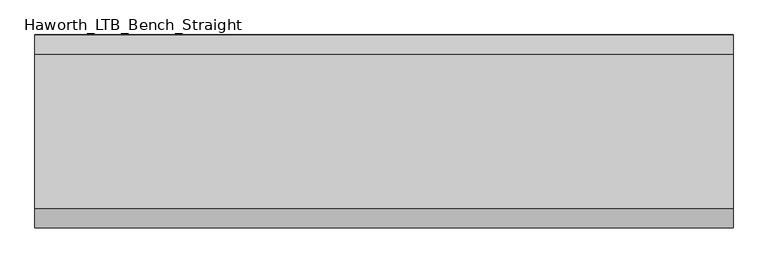
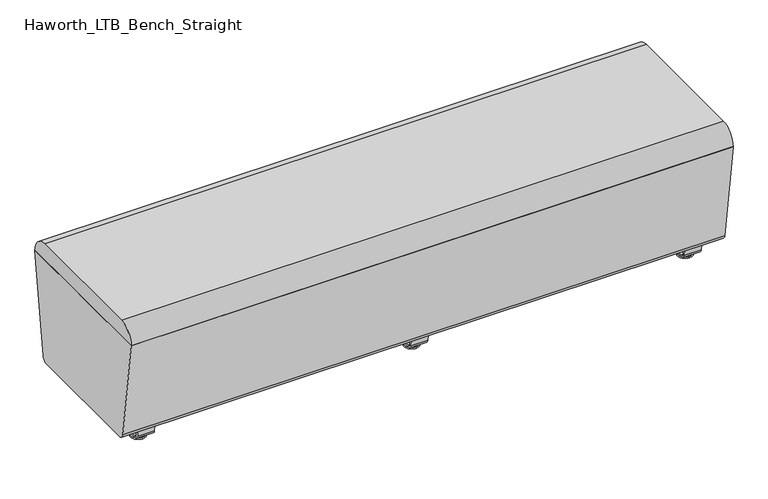
"""IFC4 building model written with IfcOpenShell, lengths in millimetres: furniture geometry, Haworth_LTB_Bench_Straight."""

import ifcopenshell
import ifcopenshell.guid

model = None  # the IFC model being written
_history = None  # IfcOwnerHistory: only IFC2X3 demands one
_inside = {}  # id of a spatial element -> (the spatial element, [elements in it])
_under = {}  # id of a project, library or spatial element -> (it, [spatial elements below it])
_declared = {}  # id of a project -> (the project, [libraries it declares])
_typed = {}  # id of a type object -> (the type object, [elements of that type])
_made_of = {}  # id of a material, layer set ... -> (it, [elements and type objects made of it])


def new_model(schema):
    """Start an empty IFC model of exactly this schema.

    Asked for "IFC4X3", IfcOpenShell would pick the latest addendum, in which some entities
    have other attributes; the version numbers below select the first issue.
    IFC2X3 requires an IfcOwnerHistory on every rooted entity: one is made here for all.
    """
    global model, _history
    if schema == "IFC4X3":
        model = ifcopenshell.file(schema_version=(4, 3, 0, 0))
    else:
        model = ifcopenshell.file(schema=schema)
    _inside.clear()
    _under.clear()
    _declared.clear()
    _typed.clear()
    _made_of.clear()
    _history = None
    if model.schema == "IFC2X3":
        org = make("IfcOrganization", Name="unknown")
        user = make(
            "IfcPersonAndOrganization",
            ThePerson=make("IfcPerson", FamilyName="unknown"),
            TheOrganization=org,
        )
        app = make(
            "IfcApplication",
            ApplicationDeveloper=org,
            Version="unknown",
            ApplicationFullName="unknown",
            ApplicationIdentifier="unknown",
        )
        _history = make(
            "IfcOwnerHistory",
            OwningUser=user,
            OwningApplication=app,
            ChangeAction="ADDED",
            CreationDate=0,
        )
    return model


def make(cls, **values):
    """One entity of the class cls with the attributes given. An attribute that is None is left unset."""
    return model.create_entity(
        cls, **{name: value for name, value in values.items() if value is not None}
    )


def rooted(cls, **values):
    """An entity with a GlobalId (a new one), such as an element, a storey or a relation."""
    return make(cls, GlobalId=ifcopenshell.guid.new(), OwnerHistory=_history, **values)


def si_unit(unit_type, name, prefix=None):
    """IfcSIUnit, for example si_unit("LENGTHUNIT", "METRE", prefix="MILLI")."""
    return make("IfcSIUnit", UnitType=unit_type, Prefix=prefix, Name=name)


def assignment(units):
    """IfcUnitAssignment: the units of a project."""
    return None if units is None else make("IfcUnitAssignment", Units=units)


def point(xyz):
    """IfcCartesianPoint."""
    return None if xyz is None else make("IfcCartesianPoint", Coordinates=xyz)


def direction(xyz):
    """IfcDirection."""
    return None if xyz is None else make("IfcDirection", DirectionRatios=xyz)


def frame(location, z_axis=None, x_axis=None):
    """IfcAxis2Placement3D, a coordinate frame: its origin and axes. An axis left out is left unset."""
    return make(
        "IfcAxis2Placement3D",
        Location=point(location),
        Axis=direction(z_axis),
        RefDirection=direction(x_axis),
    )


def frame_2d(location, x_axis=None):
    """IfcAxis2Placement2D, a coordinate frame in the plane: its origin and x axis."""
    return make(
        "IfcAxis2Placement2D", Location=point(location), RefDirection=direction(x_axis)
    )


def origin():
    """The frame at (0, 0, 0) with its axes left unset."""
    return frame((0.0, 0.0, 0.0))


def place(relative_to, where):
    """IfcLocalPlacement: puts the frame where relative to a parent placement (None: the world)."""
    return make(
        "IfcLocalPlacement", PlacementRelTo=relative_to, RelativePlacement=where
    )


def context(
    kind, dimensions, precision=None, world=None, true_north=None, identifier=None
):
    """IfcGeometricRepresentationContext, for example the 3D "Model" context."""
    return make(
        "IfcGeometricRepresentationContext",
        ContextIdentifier=identifier,
        ContextType=kind,
        CoordinateSpaceDimension=dimensions,
        Precision=precision,
        WorldCoordinateSystem=world,
        TrueNorth=true_north,
    )


def project(units=None, contexts=None):
    """IfcProject with its units and contexts."""
    return rooted(
        "IfcProject",
        Name="project",
        RepresentationContexts=contexts,
        UnitsInContext=assignment(units),
    )


def spatial(cls, under=None, at=None, **own):
    """A site, building, storey or space (cls), placed at a placement, below another one or the project."""
    s = rooted(cls, ObjectPlacement=at, **own)
    if under is not None:
        _under.setdefault(under.id(), (under, []))[1].append(s)
    return s


def polyline(points):
    """IfcPolyline through the points."""
    return make("IfcPolyline", Points=[point(p) for p in points])


def circle_curve(where, radius):
    """IfcCircle in the frame where."""
    return make("IfcCircle", Position=where, Radius=radius)


def ellipse_curve(where, semi_axis1, semi_axis2):
    """IfcEllipse in the frame where."""
    return make(
        "IfcEllipse", Position=where, SemiAxis1=semi_axis1, SemiAxis2=semi_axis2
    )


def trimmed(basis, trim1, trim2, sense, master):
    """IfcTrimmedCurve: the piece of a basis curve between two trims."""
    return make(
        "IfcTrimmedCurve",
        BasisCurve=basis,
        Trim1=trim1,
        Trim2=trim2,
        SenseAgreement=sense,
        MasterRepresentation=master,
    )


def segment(curve, same_sense, transition):
    """IfcCompositeCurveSegment."""
    return make(
        "IfcCompositeCurveSegment",
        Transition=transition,
        SameSense=same_sense,
        ParentCurve=curve,
    )


def composite_curve(segments, self_intersect=None):
    """IfcCompositeCurve: segments joined end to end."""
    return make("IfcCompositeCurve", Segments=segments, SelfIntersect=self_intersect)


def outline(outer, holes=None, kind="AREA"):
    """IfcArbitraryClosedProfileDef: a profile drawn as a closed curve; with holes, ...WithVoids."""
    if holes is None:
        return make("IfcArbitraryClosedProfileDef", ProfileType=kind, OuterCurve=outer)
    return make(
        "IfcArbitraryProfileDefWithVoids",
        ProfileType=kind,
        OuterCurve=outer,
        InnerCurves=holes,
    )


def extrude(swept, where, along, depth):
    """IfcExtrudedAreaSolid: the profile swept, set in the frame where, extruded along a direction by depth."""
    return make(
        "IfcExtrudedAreaSolid",
        SweptArea=swept,
        Position=where,
        ExtrudedDirection=direction(along),
        Depth=depth,
    )


def shape(context_of_items, identifier, shape_type, items):
    """IfcShapeRepresentation: the items that make up one representation, for example the "Body"."""
    return make(
        "IfcShapeRepresentation",
        ContextOfItems=context_of_items,
        RepresentationIdentifier=identifier,
        RepresentationType=shape_type,
        Items=items,
    )


def source(mapping_origin, context_of_items, identifier, shape_type, items):
    """IfcRepresentationMap: a shape defined once, which mapped items show again and again."""
    return make(
        "IfcRepresentationMap",
        MappingOrigin=mapping_origin,
        MappedRepresentation=shape(context_of_items, identifier, shape_type, items),
    )


def transform(
    local_origin,
    x_axis=None,
    y_axis=None,
    z_axis=None,
    scale=None,
    scale2=None,
    scale3=None,
    uniform=True,
):
    """IfcCartesianTransformationOperator3D, or its non-uniform kind. x_axis, y_axis, z_axis: its Axis1, 2, 3."""
    if uniform:
        return make(
            "IfcCartesianTransformationOperator3D",
            Axis1=direction(x_axis),
            Axis2=direction(y_axis),
            LocalOrigin=point(local_origin),
            Scale=scale,
            Axis3=direction(z_axis),
        )
    return make(
        "IfcCartesianTransformationOperator3DnonUniform",
        Axis1=direction(x_axis),
        Axis2=direction(y_axis),
        LocalOrigin=point(local_origin),
        Scale=scale,
        Axis3=direction(z_axis),
        Scale2=scale2,
        Scale3=scale3,
    )


def mapped(mapping_source, mapping_target):
    """IfcMappedItem: shows the shape of a source again, moved by a transform."""
    return make(
        "IfcMappedItem", MappingSource=mapping_source, MappingTarget=mapping_target
    )


def made_of(thing, what):
    """Note that an element or type object is made of a material, layer set ...; save() writes the relation."""
    if what is not None:
        _made_of.setdefault(what.id(), (what, []))[1].append(thing)
    return thing


def element(
    cls,
    number,
    at=None,
    inside=None,
    cuts=None,
    type_object=None,
    material=None,
    context=None,
    identifier="Body",
    shape_type=None,
    held_by="IfcProductDefinitionShape",
    body=None,
    shapes=None,
    **own,
):
    """One element of the class cls, such as IfcWall. Its Tag is "e" and its number.

    at: its placement. inside: the storey or other place that contains it. cuts: it is an
    opening in that element (IfcRelVoidsElement). A single representation is given by context,
    identifier, shape_type and body (its items); several are given by shapes. held_by: the class
    of the entity that holds the representations. save() writes the other relations.
    """
    e = rooted(cls, Tag="e%d" % number, ObjectPlacement=at, **own)
    if body is not None:
        shapes = [shape(context, identifier, shape_type, body)]
    if shapes is not None:
        e.Representation = make(held_by, Representations=shapes)
    if inside is not None:
        _inside.setdefault(inside.id(), (inside, []))[1].append(e)
    if cuts is not None:
        rooted(
            "IfcRelVoidsElement", RelatingBuildingElement=cuts, RelatedOpeningElement=e
        )
    if type_object is not None:
        _typed.setdefault(type_object.id(), (type_object, []))[1].append(e)
    return made_of(e, material)


def aggregate(whole, parts):
    """IfcRelAggregates: a whole, such as a stair, and the parts it consists of."""
    return rooted("IfcRelAggregates", RelatingObject=whole, RelatedObjects=parts)


def save(model, path):
    """Write the relations noted so far, then the file.

    IfcRelAggregates (storeys below a building ...), IfcRelContainedInSpatialStructure (elements
    in a storey), IfcRelDefinesByType, IfcRelAssociatesMaterial and IfcRelDeclares: one each for
    every whole, place, type object, material and project.
    """
    for whole, parts in _under.values():
        aggregate(whole, parts)
    for where, things in _inside.values():
        rooted(
            "IfcRelContainedInSpatialStructure",
            RelatedElements=things,
            RelatingStructure=where,
        )
    for kind, things in _typed.values():
        rooted("IfcRelDefinesByType", RelatedObjects=things, RelatingType=kind)
    for what, things in _made_of.values():
        rooted("IfcRelAssociatesMaterial", RelatedObjects=things, RelatingMaterial=what)
    for by, libraries in _declared.values():
        rooted("IfcRelDeclares", RelatingContext=by, RelatedDefinitions=libraries)
    model.write(path)


def plane_surface(at):
    """IfcPlane: the flat surface through the origin of the frame at, square to its z axis."""
    return make("IfcPlane", Position=at)


def cylinder_surface(at, radius):
    """IfcCylindricalSurface: all points at the distance radius from the z axis of the frame at."""
    return make("IfcCylindricalSurface", Position=at, Radius=radius)


def revolved_surface(curve, axis_point, axis_direction):
    """IfcSurfaceOfRevolution: the curve turned about the line through axis_point along axis_direction."""
    return make(
        "IfcSurfaceOfRevolution",
        SweptCurve=make("IfcArbitraryOpenProfileDef", ProfileType="CURVE", Curve=curve),
        AxisPosition=make("IfcAxis1Placement", Location=point(axis_point), Axis=direction(axis_direction)),
    )


def advanced_brep(points, edges, surfaces, faces):
    """IfcAdvancedBrep: a solid bounded by faces that lie on surfaces and meet in shared edges.

    An edge is (start, end): straight between two places in points (the first is 0);
    or (start, end, curve); or (start, end, curve, False) where it runs against its curve.
    A face is (place in surfaces, loops), or (place, loops, False) where it looks against
    its surface's normal. A loop lists edges by number (the first is 1), with a minus sign
    where the edge is run from its end to its start. The first loop is the outer one.
    """
    corners = [point(p) for p in points]
    vertices = [make("IfcVertexPoint", VertexGeometry=c) for c in corners]
    made = []
    for start, end, *more in edges:
        made.append(
            make(
                "IfcEdgeCurve",
                EdgeStart=vertices[start],
                EdgeEnd=vertices[end],
                EdgeGeometry=more[0] if more else make("IfcPolyline", Points=[corners[start], corners[end]]),
                SameSense=more[1] if len(more) > 1 else True,
            )
        )
    hull = []
    for where, loops, *sense in faces:
        bounds = []
        for j, loop in enumerate(loops):
            ring = [make("IfcOrientedEdge", EdgeElement=made[abs(k) - 1], Orientation=k > 0) for k in loop]
            bounds.append(
                make(
                    "IfcFaceOuterBound" if j == 0 else "IfcFaceBound",
                    Bound=make("IfcEdgeLoop", EdgeList=ring),
                    Orientation=True,
                )
            )
        hull.append(make("IfcAdvancedFace", Bounds=bounds, FaceSurface=surfaces[where], SameSense=sense[0] if sense else True))
    return make("IfcAdvancedBrep", Outer=make("IfcClosedShell", CfsFaces=hull))


def haworth_ltb_bench_straight_ff72ecde(model_context):
    return source(origin(), model_context, "Body", "SolidModel", [
        extrude(outline(composite_curve([segment(polyline([(-206.6541239, 66.3557108), (-249.9820603, 374.65), (249.9820603, 374.65), (206.6541239, 66.3557108)]), True, "CONTINUOUS"), segment(trimmed(circle_curve(frame_2d((187.8390314, 68.9999996)), 18.9999992), [point((206.6541239, 66.3557108))], [point((187.8390314, 50.0000004))], False, "CARTESIAN"), True, "CONTINUOUS"), segment(polyline([(187.8390314, 50.0000004), (-187.8390314, 50.0000004)]), True, "CONTINUOUS"), segment(trimmed(circle_curve(frame_2d((-187.8390314, 68.9999996)), 18.9999992), [point((-187.8390314, 50.0000004))], [point((-206.6541239, 66.3557108))], False, "CARTESIAN"), True, "CONTINUOUS")], self_intersect=False)), frame((-901.7, 0.0, 0.0), z_axis=(1.0, 0.0, 0.0), x_axis=(0.0, 1.0, 0.0)), (0.0, 0.0, 1.0), 1803.4),
        extrude(outline(composite_curve([segment(polyline([(-200.0364582, 425.0000034), (200.0364582, 425.0000034)]), True, "CONTINUOUS"), segment(trimmed(circle_curve(frame_2d((200.0364582, 375.0527773)), 49.9472261), [point((200.0364582, 425.0000034))], [point((249.9820603, 374.6499999))], False, "CARTESIAN"), True, "CONTINUOUS"), segment(polyline([(249.9820603, 374.6499999), (-249.9820603, 374.6499999)]), True, "CONTINUOUS"), segment(trimmed(circle_curve(frame_2d((-200.0364582, 375.0527773)), 49.9472261), [point((-249.9820603, 374.6499999))], [point((-200.0364582, 425.0000034))], False, "CARTESIAN"), True, "CONTINUOUS")], self_intersect=False)), frame((-901.7, 0.0, 0.0), z_axis=(1.0, 0.0, 0.0), x_axis=(0.0, 1.0, 0.0)), (0.0, 0.0, 1.0), 1803.4),
        advanced_brep(
        [(0.0, 134.8425052, 7.8133431), (0.0, 138.0765284, 7.8133431), (0.0, 147.6015284, 7.8133431), (0.0, 150.8355515, 7.8133431), (0.0, 120.9001513, 4.0775), (0.0, 164.7779054, 4.0775), (0.0, 121.3107026, 0.0), (0.0, 164.3673542, 0.0), (0.0, 142.8390284, 0.0), (0.0, 138.0765284, 50.0000004), (0.0, 142.8390284, 50.0000004), (0.0, 147.6015284, 50.0000004)],
        [
            (0, 1),
            (1, 2, circle_curve(frame((0.0, 142.8390284, 7.8133431), z_axis=(0.0, 0.0, -1.0), x_axis=(0.0, 1.0, 0.0)), 4.7625)),
            (2, 3),
            (3, 0, circle_curve(frame((0.0, 142.8390284, 7.8133431), z_axis=(0.0, 0.0, 1.0), x_axis=(0.0, 1.0, 0.0)), 7.9965232)),
            (2, 1, circle_curve(frame((0.0, 142.8390284, 7.8133431), z_axis=(0.0, 0.0, -1.0), x_axis=(0.0, 1.0, 0.0)), 4.7625)),
            (0, 3, circle_curve(frame((0.0, 142.8390284, 7.8133431), z_axis=(0.0, 0.0, 1.0), x_axis=(0.0, 1.0, 0.0)), 7.9965232)),
            (4, 0),
            (3, 5),
            (5, 4, circle_curve(frame((0.0, 142.8390284, 4.0775), z_axis=(0.0, 0.0, 1.0), x_axis=(0.0, 1.0, 0.0)), 21.9388771)),
            (4, 5, circle_curve(frame((0.0, 142.8390284, 4.0775), z_axis=(0.0, 0.0, 1.0), x_axis=(0.0, 1.0, 0.0)), 21.9388771)),
            (6, 4, circle_curve(frame((0.0, 121.4374745, 2.0721829), z_axis=(-1.0, 0.0, 0.0), x_axis=(0.0, 1.0, 0.0)), 2.0760571)),
            (5, 7, circle_curve(frame((0.0, 164.2405822, 2.0721829), z_axis=(-1.0, 0.0, 0.0), x_axis=(0.0, -1.0, 0.0)), 2.0760571)),
            (7, 6, circle_curve(frame((0.0, 142.8390284, 0.0), z_axis=(0.0, 0.0, 1.0), x_axis=(0.0, 1.0, 0.0)), 21.5283258)),
            (6, 7, circle_curve(frame((0.0, 142.8390284, 0.0), z_axis=(0.0, 0.0, 1.0), x_axis=(0.0, 1.0, 0.0)), 21.5283258)),
            (8, 6),
            (7, 8),
            (9, 10),
            (10, 11),
            (11, 9, circle_curve(frame((0.0, 142.8390284, 50.0000004), z_axis=(0.0, 0.0, 1.0), x_axis=(0.0, 1.0, 0.0)), 4.7625)),
            (9, 11, circle_curve(frame((0.0, 142.8390284, 50.0000004), z_axis=(0.0, 0.0, 1.0), x_axis=(0.0, 1.0, 0.0)), 4.7625)),
            (1, 9),
            (11, 2),
        ],
        [
            plane_surface(frame((0.0, 142.8390284, 7.8133431), z_axis=(0.0, 0.0, 1.0), x_axis=(0.0, 1.0, 0.0))),
            revolved_surface(polyline([(0.0, 150.8355515, 7.8133431), (0.0, 164.7779054, 4.0775)]), (0.0, 142.8390284, 0.0), (0.0, 0.0, -1.0)),
            revolved_surface(trimmed(ellipse_curve(frame((0.0, 164.2405822, 2.0721829), z_axis=(-1.0, 0.0, 0.0), x_axis=(0.0, -1.0, 0.0)), 2.0760571, 2.0760571), [point((0.0, 164.7779054, 4.0775))], [point((0.0, 164.3673542, 0.0))], True, "CARTESIAN"), (0.0, 142.8390284, 0.0), (0.0, 0.0, -1.0)),
            plane_surface(frame((0.0, 142.8390284, 0.0), z_axis=(0.0, 0.0, -1.0), x_axis=(0.0, 1.0, 0.0))),
            plane_surface(frame((0.0, 142.8390284, 50.0000004), z_axis=(0.0, 0.0, 1.0), x_axis=(0.0, 1.0, 0.0))),
            cylinder_surface(frame((0.0, 142.8390284, 0.0), z_axis=(0.0, 0.0, -1.0), x_axis=(0.0, 1.0, 0.0)), 4.7625),
        ],
        [
            (0, [[1, 2, 3, 4]]),
            (0, [[-3, 5, -1, 6]]),
            (1, [[7, -4, 8, 9]]),
            (1, [[-8, -6, -7, 10]]),
            (2, [[11, -9, 12, 13]]),
            (2, [[-12, -10, -11, 14]]),
            (3, [[15, -13, 16]]),
            (3, [[-16, -14, -15]]),
            (4, [[17, 18, 19]]),
            (4, [[-18, -17, 20]]),
            (5, [[21, -19, 22, -2]]),
            (5, [[-22, -20, -21, -5]]),
        ],
    ),
        advanced_brep(
        [(0.0, -138.0765284, 7.8133431), (0.0, -134.8425052, 7.8133431), (0.0, -150.8355515, 7.8133431), (0.0, -147.6015284, 7.8133431), (0.0, -120.9001513, 4.0775), (0.0, -164.7779054, 4.0775), (0.0, -121.3107026, 0.0), (0.0, -164.3673542, 0.0), (0.0, -142.8390284, 0.0), (0.0, -142.8390284, 50.0000004), (0.0, -138.0765284, 50.0000004), (0.0, -147.6015284, 50.0000004)],
        [
            (0, 1),
            (1, 2, circle_curve(frame((0.0, -142.8390284, 7.8133431), z_axis=(0.0, 0.0, 1.0), x_axis=(0.0, -1.0, 0.0)), 7.9965232)),
            (2, 3),
            (3, 0, circle_curve(frame((0.0, -142.8390284, 7.8133431), z_axis=(0.0, 0.0, -1.0), x_axis=(0.0, -1.0, 0.0)), 4.7625)),
            (2, 1, circle_curve(frame((0.0, -142.8390284, 7.8133431), z_axis=(0.0, 0.0, 1.0), x_axis=(0.0, -1.0, 0.0)), 7.9965232)),
            (0, 3, circle_curve(frame((0.0, -142.8390284, 7.8133431), z_axis=(0.0, 0.0, -1.0), x_axis=(0.0, -1.0, 0.0)), 4.7625)),
            (1, 4),
            (4, 5, circle_curve(frame((0.0, -142.8390284, 4.0775), z_axis=(0.0, 0.0, 1.0), x_axis=(0.0, -1.0, 0.0)), 21.9388771)),
            (5, 2),
            (5, 4, circle_curve(frame((0.0, -142.8390284, 4.0775), z_axis=(0.0, 0.0, 1.0), x_axis=(0.0, -1.0, 0.0)), 21.9388771)),
            (4, 6, circle_curve(frame((0.0, -121.4374745, 2.0721829), z_axis=(-1.0, 0.0, 0.0), x_axis=(0.0, -1.0, 0.0)), 2.0760571)),
            (6, 7, circle_curve(frame((0.0, -142.8390284, 0.0), z_axis=(0.0, 0.0, 1.0), x_axis=(0.0, -1.0, 0.0)), 21.5283258)),
            (7, 5, circle_curve(frame((0.0, -164.2405822, 2.0721829), z_axis=(-1.0, 0.0, 0.0), x_axis=(0.0, 1.0, 0.0)), 2.0760571)),
            (7, 6, circle_curve(frame((0.0, -142.8390284, 0.0), z_axis=(0.0, 0.0, 1.0), x_axis=(0.0, -1.0, 0.0)), 21.5283258)),
            (6, 8),
            (8, 7),
            (9, 10),
            (10, 11, circle_curve(frame((0.0, -142.8390284, 50.0000004), z_axis=(0.0, 0.0, 1.0), x_axis=(0.0, -1.0, 0.0)), 4.7625)),
            (11, 9),
            (11, 10, circle_curve(frame((0.0, -142.8390284, 50.0000004), z_axis=(0.0, 0.0, 1.0), x_axis=(0.0, -1.0, 0.0)), 4.7625)),
            (10, 0),
            (3, 11),
        ],
        [
            plane_surface(frame((0.0, -142.8390284, 7.8133431), z_axis=(0.0, 0.0, 1.0), x_axis=(0.0, -1.0, 0.0))),
            revolved_surface(polyline([(0.0, -164.7779054, 4.0775), (0.0, -150.8355515, 7.8133431)]), (0.0, -142.8390284, 0.0), (0.0, 0.0, 1.0)),
            revolved_surface(trimmed(ellipse_curve(frame((0.0, -164.2405822, 2.0721829), z_axis=(-1.0, 0.0, 0.0), x_axis=(0.0, 1.0, 0.0)), 2.0760571, 2.0760571), [point((0.0, -164.3673542, 0.0))], [point((0.0, -164.7779054, 4.0775))], True, "CARTESIAN"), (0.0, -142.8390284, 0.0), (0.0, 0.0, 1.0)),
            plane_surface(frame((0.0, -142.8390284, 0.0), z_axis=(0.0, 0.0, -1.0), x_axis=(0.0, -1.0, 0.0))),
            plane_surface(frame((0.0, -142.8390284, 50.0000004), z_axis=(0.0, 0.0, 1.0), x_axis=(0.0, -1.0, 0.0))),
            cylinder_surface(frame((0.0, -142.8390284, 0.0), z_axis=(0.0, 0.0, 1.0), x_axis=(0.0, -1.0, 0.0)), 4.7625),
        ],
        [
            (0, [[1, 2, 3, 4]]),
            (0, [[-3, 5, -1, 6]]),
            (1, [[7, 8, 9, -2]]),
            (1, [[-9, 10, -7, -5]]),
            (2, [[11, 12, 13, -8]]),
            (2, [[-13, 14, -11, -10]]),
            (3, [[15, 16, -12]]),
            (3, [[-16, -15, -14]]),
            (4, [[17, 18, 19]]),
            (4, [[-19, 20, -17]]),
            (5, [[21, -4, 22, -18]]),
            (5, [[-22, -6, -21, -20]]),
        ],
    ),
        extrude(outline(composite_curve([segment(polyline([(-188.6158944, 62.9950557), (-182.9812615, 63.7869505), (-178.0507241, 28.7043023)]), True, "CONTINUOUS"), segment(trimmed(circle_curve(frame_2d((-168.8313262, 30.0000023)), 9.310002), [point((-178.0507241, 28.7043023))], [point((-168.8313262, 20.6900003))], True, "CARTESIAN"), True, "CONTINUOUS"), segment(polyline([(-168.8313262, 20.6900003), (168.8313262, 20.6900003)]), True, "CONTINUOUS"), segment(trimmed(circle_curve(frame_2d((168.8313262, 30.0000023)), 9.310002), [point((168.8313262, 20.6900003))], [point((178.0507241, 28.7043023))], True, "CARTESIAN"), True, "CONTINUOUS"), segment(polyline([(178.0507241, 28.7043023), (182.9812615, 63.7869505), (188.6158944, 62.9950557), (183.6853496, 27.9124042)]), True, "CONTINUOUS"), segment(trimmed(circle_curve(frame_2d((168.8313276, 30.0000007)), 15.000001), [point((183.6853496, 27.9124042))], [point((168.8313276, 14.9999997))], False, "CARTESIAN"), True, "CONTINUOUS"), segment(polyline([(168.8313276, 14.9999997), (-168.8313276, 14.9999997)]), True, "CONTINUOUS"), segment(trimmed(circle_curve(frame_2d((-168.8313276, 30.0000007)), 15.000001), [point((-168.8313276, 14.9999997))], [point((-183.6853496, 27.9124042))], False, "CARTESIAN"), True, "CONTINUOUS"), segment(polyline([(-183.6853496, 27.9124042), (-188.6158944, 62.9950557)]), True, "CONTINUOUS")], self_intersect=False)), frame((-25.4, 0.0, 0.0), z_axis=(1.0, 0.0, 0.0), x_axis=(0.0, 1.0, 0.0)), (0.0, 0.0, 1.0), 50.8),
        advanced_brep(
        [(819.2045358, 134.8425052, 7.8133431), (819.2045358, 138.0765284, 7.8133431), (819.2045358, 147.6015284, 7.8133431), (819.2045358, 150.8355515, 7.8133431), (819.2045358, 120.9001513, 4.0775), (819.2045358, 164.7779054, 4.0775), (819.2045358, 121.3107026, 0.0), (819.2045358, 164.3673542, 0.0), (819.2045358, 142.8390284, 0.0), (819.2045358, 138.0765284, 50.0000004), (819.2045358, 142.8390284, 50.0000004), (819.2045358, 147.6015284, 50.0000004)],
        [
            (0, 1),
            (1, 2, circle_curve(frame((819.2045358, 142.8390284, 7.8133431), z_axis=(0.0, 0.0, -1.0), x_axis=(0.0, 1.0, 0.0)), 4.7625)),
            (2, 3),
            (3, 0, circle_curve(frame((819.2045358, 142.8390284, 7.8133431), z_axis=(0.0, 0.0, 1.0), x_axis=(0.0, 1.0, 0.0)), 7.9965232)),
            (2, 1, circle_curve(frame((819.2045358, 142.8390284, 7.8133431), z_axis=(0.0, 0.0, -1.0), x_axis=(0.0, 1.0, 0.0)), 4.7625)),
            (0, 3, circle_curve(frame((819.2045358, 142.8390284, 7.8133431), z_axis=(0.0, 0.0, 1.0), x_axis=(0.0, 1.0, 0.0)), 7.9965232)),
            (4, 0),
            (3, 5),
            (5, 4, circle_curve(frame((819.2045358, 142.8390284, 4.0775), z_axis=(0.0, 0.0, 1.0), x_axis=(0.0, 1.0, 0.0)), 21.9388771)),
            (4, 5, circle_curve(frame((819.2045358, 142.8390284, 4.0775), z_axis=(0.0, 0.0, 1.0), x_axis=(0.0, 1.0, 0.0)), 21.9388771)),
            (6, 4, circle_curve(frame((819.2045358, 121.4374745, 2.0721829), z_axis=(-1.0, 0.0, 0.0), x_axis=(0.0, 1.0, 0.0)), 2.0760571)),
            (5, 7, circle_curve(frame((819.2045358, 164.2405822, 2.0721829), z_axis=(-1.0, 0.0, 0.0), x_axis=(0.0, -1.0, 0.0)), 2.0760571)),
            (7, 6, circle_curve(frame((819.2045358, 142.8390284, 0.0), z_axis=(0.0, 0.0, 1.0), x_axis=(0.0, 1.0, 0.0)), 21.5283258)),
            (6, 7, circle_curve(frame((819.2045358, 142.8390284, 0.0), z_axis=(0.0, 0.0, 1.0), x_axis=(0.0, 1.0, 0.0)), 21.5283258)),
            (8, 6),
            (7, 8),
            (9, 10),
            (10, 11),
            (11, 9, circle_curve(frame((819.2045358, 142.8390284, 50.0000004), z_axis=(0.0, 0.0, 1.0), x_axis=(0.0, 1.0, 0.0)), 4.7625)),
            (9, 11, circle_curve(frame((819.2045358, 142.8390284, 50.0000004), z_axis=(0.0, 0.0, 1.0), x_axis=(0.0, 1.0, 0.0)), 4.7625)),
            (1, 9),
            (11, 2),
        ],
        [
            plane_surface(frame((819.2045358, 142.8390284, 7.8133431), z_axis=(0.0, 0.0, 1.0), x_axis=(0.0, 1.0, 0.0))),
            revolved_surface(polyline([(819.2045358, 150.8355515, 7.8133431), (819.2045358, 164.7779054, 4.0775)]), (819.2045358, 142.8390284, 0.0), (0.0, 0.0, -1.0)),
            revolved_surface(trimmed(ellipse_curve(frame((819.2045358, 164.2405822, 2.0721829), z_axis=(-1.0, 0.0, 0.0), x_axis=(0.0, -1.0, 0.0)), 2.0760571, 2.0760571), [point((819.2045358, 164.7779054, 4.0775))], [point((819.2045358, 164.3673542, 0.0))], True, "CARTESIAN"), (819.2045358, 142.8390284, 0.0), (0.0, 0.0, -1.0)),
            plane_surface(frame((819.2045358, 142.8390284, 0.0), z_axis=(0.0, 0.0, -1.0), x_axis=(0.0, 1.0, 0.0))),
            plane_surface(frame((819.2045358, 142.8390284, 50.0000004), z_axis=(0.0, 0.0, 1.0), x_axis=(0.0, 1.0, 0.0))),
            cylinder_surface(frame((819.2045358, 142.8390284, 0.0), z_axis=(0.0, 0.0, -1.0), x_axis=(0.0, 1.0, 0.0)), 4.7625),
        ],
        [
            (0, [[1, 2, 3, 4]]),
            (0, [[-3, 5, -1, 6]]),
            (1, [[7, -4, 8, 9]]),
            (1, [[-8, -6, -7, 10]]),
            (2, [[11, -9, 12, 13]]),
            (2, [[-12, -10, -11, 14]]),
            (3, [[15, -13, 16]]),
            (3, [[-16, -14, -15]]),
            (4, [[17, 18, 19]]),
            (4, [[-18, -17, 20]]),
            (5, [[21, -19, 22, -2]]),
            (5, [[-22, -20, -21, -5]]),
        ],
    ),
        advanced_brep(
        [(819.2045358, -138.0765284, 7.8133431), (819.2045358, -134.8425052, 7.8133431), (819.2045358, -150.8355515, 7.8133431), (819.2045358, -147.6015284, 7.8133431), (819.2045358, -120.9001513, 4.0775), (819.2045358, -164.7779054, 4.0775), (819.2045358, -121.3107026, 0.0), (819.2045358, -164.3673542, 0.0), (819.2045358, -142.8390284, 0.0), (819.2045358, -142.8390284, 50.0000004), (819.2045358, -138.0765284, 50.0000004), (819.2045358, -147.6015284, 50.0000004)],
        [
            (0, 1),
            (1, 2, circle_curve(frame((819.2045358, -142.8390284, 7.8133431), z_axis=(0.0, 0.0, 1.0), x_axis=(0.0, -1.0, 0.0)), 7.9965232)),
            (2, 3),
            (3, 0, circle_curve(frame((819.2045358, -142.8390284, 7.8133431), z_axis=(0.0, 0.0, -1.0), x_axis=(0.0, -1.0, 0.0)), 4.7625)),
            (2, 1, circle_curve(frame((819.2045358, -142.8390284, 7.8133431), z_axis=(0.0, 0.0, 1.0), x_axis=(0.0, -1.0, 0.0)), 7.9965232)),
            (0, 3, circle_curve(frame((819.2045358, -142.8390284, 7.8133431), z_axis=(0.0, 0.0, -1.0), x_axis=(0.0, -1.0, 0.0)), 4.7625)),
            (1, 4),
            (4, 5, circle_curve(frame((819.2045358, -142.8390284, 4.0775), z_axis=(0.0, 0.0, 1.0), x_axis=(0.0, -1.0, 0.0)), 21.9388771)),
            (5, 2),
            (5, 4, circle_curve(frame((819.2045358, -142.8390284, 4.0775), z_axis=(0.0, 0.0, 1.0), x_axis=(0.0, -1.0, 0.0)), 21.9388771)),
            (4, 6, circle_curve(frame((819.2045358, -121.4374745, 2.0721829), z_axis=(-1.0, 0.0, 0.0), x_axis=(0.0, -1.0, 0.0)), 2.0760571)),
            (6, 7, circle_curve(frame((819.2045358, -142.8390284, 0.0), z_axis=(0.0, 0.0, 1.0), x_axis=(0.0, -1.0, 0.0)), 21.5283258)),
            (7, 5, circle_curve(frame((819.2045358, -164.2405822, 2.0721829), z_axis=(-1.0, 0.0, 0.0), x_axis=(0.0, 1.0, 0.0)), 2.0760571)),
            (7, 6, circle_curve(frame((819.2045358, -142.8390284, 0.0), z_axis=(0.0, 0.0, 1.0), x_axis=(0.0, -1.0, 0.0)), 21.5283258)),
            (6, 8),
            (8, 7),
            (9, 10),
            (10, 11, circle_curve(frame((819.2045358, -142.8390284, 50.0000004), z_axis=(0.0, 0.0, 1.0), x_axis=(0.0, -1.0, 0.0)), 4.7625)),
            (11, 9),
            (11, 10, circle_curve(frame((819.2045358, -142.8390284, 50.0000004), z_axis=(0.0, 0.0, 1.0), x_axis=(0.0, -1.0, 0.0)), 4.7625)),
            (10, 0),
            (3, 11),
        ],
        [
            plane_surface(frame((819.2045358, -142.8390284, 7.8133431), z_axis=(0.0, 0.0, 1.0), x_axis=(0.0, -1.0, 0.0))),
            revolved_surface(polyline([(819.2045358, -164.7779054, 4.0775), (819.2045358, -150.8355515, 7.8133431)]), (819.2045358, -142.8390284, 0.0), (0.0, 0.0, 1.0)),
            revolved_surface(trimmed(ellipse_curve(frame((819.2045358, -164.2405822, 2.0721829), z_axis=(-1.0, 0.0, 0.0), x_axis=(0.0, 1.0, 0.0)), 2.0760571, 2.0760571), [point((819.2045358, -164.3673542, 0.0))], [point((819.2045358, -164.7779054, 4.0775))], True, "CARTESIAN"), (819.2045358, -142.8390284, 0.0), (0.0, 0.0, 1.0)),
            plane_surface(frame((819.2045358, -142.8390284, 0.0), z_axis=(0.0, 0.0, -1.0), x_axis=(0.0, -1.0, 0.0))),
            plane_surface(frame((819.2045358, -142.8390284, 50.0000004), z_axis=(0.0, 0.0, 1.0), x_axis=(0.0, -1.0, 0.0))),
            cylinder_surface(frame((819.2045358, -142.8390284, 0.0), z_axis=(0.0, 0.0, 1.0), x_axis=(0.0, -1.0, 0.0)), 4.7625),
        ],
        [
            (0, [[1, 2, 3, 4]]),
            (0, [[-3, 5, -1, 6]]),
            (1, [[7, 8, 9, -2]]),
            (1, [[-9, 10, -7, -5]]),
            (2, [[11, 12, 13, -8]]),
            (2, [[-13, 14, -11, -10]]),
            (3, [[15, 16, -12]]),
            (3, [[-16, -15, -14]]),
            (4, [[17, 18, 19]]),
            (4, [[-19, 20, -17]]),
            (5, [[21, -4, 22, -18]]),
            (5, [[-22, -6, -21, -20]]),
        ],
    ),
        extrude(outline(composite_curve([segment(polyline([(-188.6158944, 62.9950557), (-182.9812615, 63.7869505), (-178.0507241, 28.7043023)]), True, "CONTINUOUS"), segment(trimmed(circle_curve(frame_2d((-168.8313262, 30.0000023)), 9.310002), [point((-178.0507241, 28.7043023))], [point((-168.8313262, 20.6900003))], True, "CARTESIAN"), True, "CONTINUOUS"), segment(polyline([(-168.8313262, 20.6900003), (168.8313262, 20.6900003)]), True, "CONTINUOUS"), segment(trimmed(circle_curve(frame_2d((168.8313262, 30.0000023)), 9.310002), [point((168.8313262, 20.6900003))], [point((178.0507241, 28.7043023))], True, "CARTESIAN"), True, "CONTINUOUS"), segment(polyline([(178.0507241, 28.7043023), (182.9812615, 63.7869505), (188.6158944, 62.9950557), (183.6853496, 27.9124042)]), True, "CONTINUOUS"), segment(trimmed(circle_curve(frame_2d((168.8313276, 30.0000007)), 15.000001), [point((183.6853496, 27.9124042))], [point((168.8313276, 14.9999997))], False, "CARTESIAN"), True, "CONTINUOUS"), segment(polyline([(168.8313276, 14.9999997), (-168.8313276, 14.9999997)]), True, "CONTINUOUS"), segment(trimmed(circle_curve(frame_2d((-168.8313276, 30.0000007)), 15.000001), [point((-168.8313276, 14.9999997))], [point((-183.6853496, 27.9124042))], False, "CARTESIAN"), True, "CONTINUOUS"), segment(polyline([(-183.6853496, 27.9124042), (-188.6158944, 62.9950557)]), True, "CONTINUOUS")], self_intersect=False)), frame((793.8045358, 0.0, 0.0), z_axis=(1.0, 0.0, 0.0), x_axis=(0.0, 1.0, 0.0)), (0.0, 0.0, 1.0), 50.8),
        advanced_brep(
        [(-819.2045358, 138.0765284, 7.8133431), (-819.2045358, 134.8425052, 7.8133431), (-819.2045358, 150.8355515, 7.8133431), (-819.2045358, 147.6015284, 7.8133431), (-819.2045358, 120.9001513, 4.0775), (-819.2045358, 164.7779054, 4.0775), (-819.2045358, 121.3107026, 0.0), (-819.2045358, 164.3673542, 0.0), (-819.2045358, 142.8390284, 0.0), (-819.2045358, 142.8390284, 50.0000004), (-819.2045358, 138.0765284, 50.0000004), (-819.2045358, 147.6015284, 50.0000004)],
        [
            (0, 1),
            (1, 2, circle_curve(frame((-819.2045358, 142.8390284, 7.8133431), z_axis=(0.0, 0.0, 1.0), x_axis=(0.0, 1.0, 0.0)), 7.9965232)),
            (2, 3),
            (3, 0, circle_curve(frame((-819.2045358, 142.8390284, 7.8133431), z_axis=(0.0, 0.0, -1.0), x_axis=(0.0, 1.0, 0.0)), 4.7625)),
            (2, 1, circle_curve(frame((-819.2045358, 142.8390284, 7.8133431), z_axis=(0.0, 0.0, 1.0), x_axis=(0.0, 1.0, 0.0)), 7.9965232)),
            (0, 3, circle_curve(frame((-819.2045358, 142.8390284, 7.8133431), z_axis=(0.0, 0.0, -1.0), x_axis=(0.0, 1.0, 0.0)), 4.7625)),
            (1, 4),
            (4, 5, circle_curve(frame((-819.2045358, 142.8390284, 4.0775), z_axis=(0.0, 0.0, 1.0), x_axis=(0.0, 1.0, 0.0)), 21.9388771)),
            (5, 2),
            (5, 4, circle_curve(frame((-819.2045358, 142.8390284, 4.0775), z_axis=(0.0, 0.0, 1.0), x_axis=(0.0, 1.0, 0.0)), 21.9388771)),
            (4, 6, circle_curve(frame((-819.2045358, 121.4374745, 2.0721829), z_axis=(1.0, 0.0, 0.0), x_axis=(0.0, 1.0, 0.0)), 2.0760571)),
            (6, 7, circle_curve(frame((-819.2045358, 142.8390284, 0.0), z_axis=(0.0, 0.0, 1.0), x_axis=(0.0, 1.0, 0.0)), 21.5283258)),
            (7, 5, circle_curve(frame((-819.2045358, 164.2405822, 2.0721829), z_axis=(1.0, 0.0, 0.0), x_axis=(0.0, -1.0, 0.0)), 2.0760571)),
            (7, 6, circle_curve(frame((-819.2045358, 142.8390284, 0.0), z_axis=(0.0, 0.0, 1.0), x_axis=(0.0, 1.0, 0.0)), 21.5283258)),
            (6, 8),
            (8, 7),
            (9, 10),
            (10, 11, circle_curve(frame((-819.2045358, 142.8390284, 50.0000004), z_axis=(0.0, 0.0, 1.0), x_axis=(0.0, 1.0, 0.0)), 4.7625)),
            (11, 9),
            (11, 10, circle_curve(frame((-819.2045358, 142.8390284, 50.0000004), z_axis=(0.0, 0.0, 1.0), x_axis=(0.0, 1.0, 0.0)), 4.7625)),
            (10, 0),
            (3, 11),
        ],
        [
            plane_surface(frame((-819.2045358, 142.8390284, 7.8133431), z_axis=(0.0, 0.0, 1.0), x_axis=(0.0, 1.0, 0.0))),
            revolved_surface(polyline([(-819.2045358, 164.7779054, 4.0775), (-819.2045358, 150.8355515, 7.8133431)]), (-819.2045358, 142.8390284, 0.0), (0.0, 0.0, 1.0)),
            revolved_surface(trimmed(ellipse_curve(frame((-819.2045358, 164.2405822, 2.0721829), z_axis=(1.0, 0.0, 0.0), x_axis=(0.0, -1.0, 0.0)), 2.0760571, 2.0760571), [point((-819.2045358, 164.3673542, 0.0))], [point((-819.2045358, 164.7779054, 4.0775))], True, "CARTESIAN"), (-819.2045358, 142.8390284, 0.0), (0.0, 0.0, 1.0)),
            plane_surface(frame((-819.2045358, 142.8390284, 0.0), z_axis=(0.0, 0.0, -1.0), x_axis=(0.0, 1.0, 0.0))),
            plane_surface(frame((-819.2045358, 142.8390284, 50.0000004), z_axis=(0.0, 0.0, 1.0), x_axis=(0.0, 1.0, 0.0))),
            cylinder_surface(frame((-819.2045358, 142.8390284, 0.0), z_axis=(0.0, 0.0, 1.0), x_axis=(0.0, 1.0, 0.0)), 4.7625),
        ],
        [
            (0, [[1, 2, 3, 4]]),
            (0, [[-3, 5, -1, 6]]),
            (1, [[7, 8, 9, -2]]),
            (1, [[-9, 10, -7, -5]]),
            (2, [[11, 12, 13, -8]]),
            (2, [[-13, 14, -11, -10]]),
            (3, [[15, 16, -12]]),
            (3, [[-16, -15, -14]]),
            (4, [[17, 18, 19]]),
            (4, [[-19, 20, -17]]),
            (5, [[21, -4, 22, -18]]),
            (5, [[-22, -6, -21, -20]]),
        ],
    ),
        advanced_brep(
        [(-819.2045358, -134.8425052, 7.8133431), (-819.2045358, -138.0765284, 7.8133431), (-819.2045358, -147.6015284, 7.8133431), (-819.2045358, -150.8355515, 7.8133431), (-819.2045358, -120.9001513, 4.0775), (-819.2045358, -164.7779054, 4.0775), (-819.2045358, -121.3107026, 0.0), (-819.2045358, -164.3673542, 0.0), (-819.2045358, -142.8390284, 0.0), (-819.2045358, -138.0765284, 50.0000004), (-819.2045358, -142.8390284, 50.0000004), (-819.2045358, -147.6015284, 50.0000004)],
        [
            (0, 1),
            (1, 2, circle_curve(frame((-819.2045358, -142.8390284, 7.8133431), z_axis=(0.0, 0.0, -1.0), x_axis=(0.0, -1.0, 0.0)), 4.7625)),
            (2, 3),
            (3, 0, circle_curve(frame((-819.2045358, -142.8390284, 7.8133431), z_axis=(0.0, 0.0, 1.0), x_axis=(0.0, -1.0, 0.0)), 7.9965232)),
            (2, 1, circle_curve(frame((-819.2045358, -142.8390284, 7.8133431), z_axis=(0.0, 0.0, -1.0), x_axis=(0.0, -1.0, 0.0)), 4.7625)),
            (0, 3, circle_curve(frame((-819.2045358, -142.8390284, 7.8133431), z_axis=(0.0, 0.0, 1.0), x_axis=(0.0, -1.0, 0.0)), 7.9965232)),
            (4, 0),
            (3, 5),
            (5, 4, circle_curve(frame((-819.2045358, -142.8390284, 4.0775), z_axis=(0.0, 0.0, 1.0), x_axis=(0.0, -1.0, 0.0)), 21.9388771)),
            (4, 5, circle_curve(frame((-819.2045358, -142.8390284, 4.0775), z_axis=(0.0, 0.0, 1.0), x_axis=(0.0, -1.0, 0.0)), 21.9388771)),
            (6, 4, circle_curve(frame((-819.2045358, -121.4374745, 2.0721829), z_axis=(1.0, 0.0, 0.0), x_axis=(0.0, -1.0, 0.0)), 2.0760571)),
            (5, 7, circle_curve(frame((-819.2045358, -164.2405822, 2.0721829), z_axis=(1.0, 0.0, 0.0), x_axis=(0.0, 1.0, 0.0)), 2.0760571)),
            (7, 6, circle_curve(frame((-819.2045358, -142.8390284, 0.0), z_axis=(0.0, 0.0, 1.0), x_axis=(0.0, -1.0, 0.0)), 21.5283258)),
            (6, 7, circle_curve(frame((-819.2045358, -142.8390284, 0.0), z_axis=(0.0, 0.0, 1.0), x_axis=(0.0, -1.0, 0.0)), 21.5283258)),
            (8, 6),
            (7, 8),
            (9, 10),
            (10, 11),
            (11, 9, circle_curve(frame((-819.2045358, -142.8390284, 50.0000004), z_axis=(0.0, 0.0, 1.0), x_axis=(0.0, -1.0, 0.0)), 4.7625)),
            (9, 11, circle_curve(frame((-819.2045358, -142.8390284, 50.0000004), z_axis=(0.0, 0.0, 1.0), x_axis=(0.0, -1.0, 0.0)), 4.7625)),
            (1, 9),
            (11, 2),
        ],
        [
            plane_surface(frame((-819.2045358, -142.8390284, 7.8133431), z_axis=(0.0, 0.0, 1.0), x_axis=(0.0, -1.0, 0.0))),
            revolved_surface(polyline([(-819.2045358, -150.8355515, 7.8133431), (-819.2045358, -164.7779054, 4.0775)]), (-819.2045358, -142.8390284, 0.0), (0.0, 0.0, -1.0)),
            revolved_surface(trimmed(ellipse_curve(frame((-819.2045358, -164.2405822, 2.0721829), z_axis=(1.0, 0.0, 0.0), x_axis=(0.0, 1.0, 0.0)), 2.0760571, 2.0760571), [point((-819.2045358, -164.7779054, 4.0775))], [point((-819.2045358, -164.3673542, 0.0))], True, "CARTESIAN"), (-819.2045358, -142.8390284, 0.0), (0.0, 0.0, -1.0)),
            plane_surface(frame((-819.2045358, -142.8390284, 0.0), z_axis=(0.0, 0.0, -1.0), x_axis=(0.0, -1.0, 0.0))),
            plane_surface(frame((-819.2045358, -142.8390284, 50.0000004), z_axis=(0.0, 0.0, 1.0), x_axis=(0.0, -1.0, 0.0))),
            cylinder_surface(frame((-819.2045358, -142.8390284, 0.0), z_axis=(0.0, 0.0, -1.0), x_axis=(0.0, -1.0, 0.0)), 4.7625),
        ],
        [
            (0, [[1, 2, 3, 4]]),
            (0, [[-3, 5, -1, 6]]),
            (1, [[7, -4, 8, 9]]),
            (1, [[-8, -6, -7, 10]]),
            (2, [[11, -9, 12, 13]]),
            (2, [[-12, -10, -11, 14]]),
            (3, [[15, -13, 16]]),
            (3, [[-16, -14, -15]]),
            (4, [[17, 18, 19]]),
            (4, [[-18, -17, 20]]),
            (5, [[21, -19, 22, -2]]),
            (5, [[-22, -20, -21, -5]]),
        ],
    ),
        extrude(outline(composite_curve([segment(polyline([(-188.6158944, 62.9950557), (-182.9812615, 63.7869505), (-178.0507241, 28.7043023)]), True, "CONTINUOUS"), segment(trimmed(circle_curve(frame_2d((-168.8313262, 30.0000023)), 9.310002), [point((-178.0507241, 28.7043023))], [point((-168.8313262, 20.6900003))], True, "CARTESIAN"), True, "CONTINUOUS"), segment(polyline([(-168.8313262, 20.6900003), (168.8313262, 20.6900003)]), True, "CONTINUOUS"), segment(trimmed(circle_curve(frame_2d((168.8313262, 30.0000023)), 9.310002), [point((168.8313262, 20.6900003))], [point((178.0507241, 28.7043023))], True, "CARTESIAN"), True, "CONTINUOUS"), segment(polyline([(178.0507241, 28.7043023), (182.9812615, 63.7869505), (188.6158944, 62.9950557), (183.6853496, 27.9124042)]), True, "CONTINUOUS"), segment(trimmed(circle_curve(frame_2d((168.8313276, 30.0000007)), 15.000001), [point((183.6853496, 27.9124042))], [point((168.8313276, 14.9999997))], False, "CARTESIAN"), True, "CONTINUOUS"), segment(polyline([(168.8313276, 14.9999997), (-168.8313276, 14.9999997)]), True, "CONTINUOUS"), segment(trimmed(circle_curve(frame_2d((-168.8313276, 30.0000007)), 15.000001), [point((-168.8313276, 14.9999997))], [point((-183.6853496, 27.9124042))], False, "CARTESIAN"), True, "CONTINUOUS"), segment(polyline([(-183.6853496, 27.9124042), (-188.6158944, 62.9950557)]), True, "CONTINUOUS")], self_intersect=False)), frame((-844.6045358, 0.0, 0.0), z_axis=(1.0, 0.0, 0.0), x_axis=(0.0, 1.0, 0.0)), (0.0, 0.0, 1.0), 50.8),
    ])


if __name__ == "__main__":
    model = new_model("IFC4")
    model_context = context("Model", 3, world=origin())
    ifc_project = project(units=[si_unit("LENGTHUNIT", "METRE", prefix="MILLI")], contexts=[model_context])
    site = spatial("IfcSite", under=ifc_project)
    building = spatial("IfcBuilding", under=site)
    placement = place(None, origin())
    haworth_ltb_bench_straight_shape = haworth_ltb_bench_straight_ff72ecde(model_context)
    element("IfcFurniture", 1, ObjectType="Haworth_LTB_Bench_Straight", at=placement, inside=building, context=model_context, shape_type="MappedRepresentation", body=[
        mapped(haworth_ltb_bench_straight_shape, transform((0.0, 0.0, 0.0), x_axis=(1.0, 0.0, 0.0), y_axis=(0.0, 1.0, 0.0), z_axis=(0.0, 0.0, 1.0))),
    ])
    save(model, "model.ifc")
